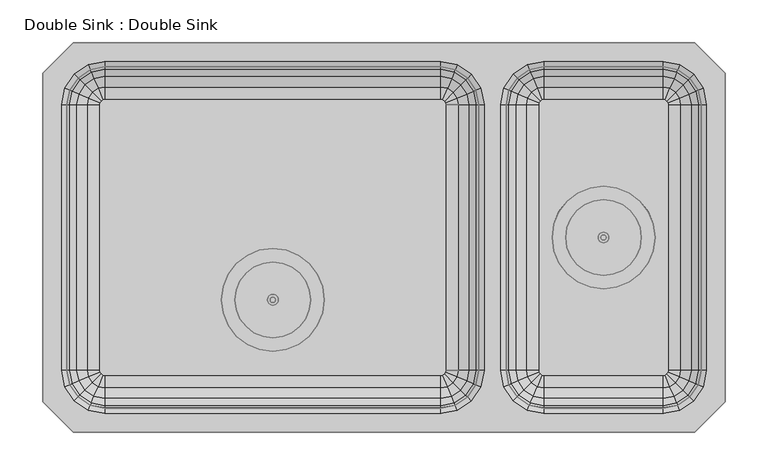
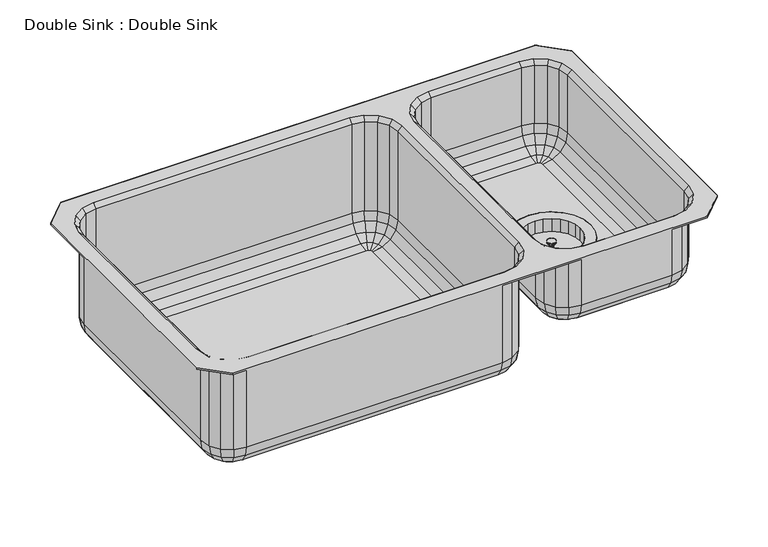
"""IFC4 building model written with IfcOpenShell, lengths in millimetres: flow terminal geometry, Double Sink : Double Sink."""

from ifc_helpers import new_model, si_unit, origin, place, context, project, spatial, triangles, source, transform, mapped, element, save


def double_sink_double_sink_0b4e4ec1(model_context):
    return source(origin(), model_context, "Body", "Tessellation", [
        triangles([(660.5270514, 228.5999818, 63.4999985), (660.5270514, 228.5999818, 50.8000015), (660.4188457, 227.7782297, 50.8000015), (660.4188457, 227.7782297, 63.4999985), (701.8020029, 228.5999818, 50.8000015), (701.8020029, 228.5999818, 71.4375), (700.2874151, 217.0954697, 71.4375), (700.2874151, 217.0954697, 50.8000015), (660.1016413, 227.0124697, 50.8000015), (660.1016413, 227.0124697, 63.4999985), (695.8468431, 206.3749758, 71.4375), (695.8468431, 206.3749758, 50.8000015), (659.5970936, 226.3549154, 50.8000015), (659.5970936, 226.3549154, 63.4999985), (688.7829575, 197.1690697, 71.4375), (688.7829575, 197.1690697, 50.8000015), (658.9395029, 225.8503495, 50.8000015), (658.9395029, 225.8503495, 63.4999985), (679.5770514, 190.1051476, 71.4375), (679.5770514, 190.1051476, 50.8000015), (658.1737793, 225.5331632, 50.8000015), (658.1737793, 225.5331632, 63.4999985), (668.8565575, 185.6645757, 71.4375), (668.8565575, 185.6645757, 50.8000015), (657.3520271, 225.4249758, 50.8000015), (657.3520271, 225.4249758, 63.4999985), (657.3520271, 184.1499697, 71.4375), (657.3520271, 184.1499697, 50.8000015), (656.530275, 225.5331632, 50.8000015), (656.530275, 225.5331632, 63.4999985), (645.8474968, 185.6645757, 71.4375), (645.8474968, 185.6645757, 50.8000015), (655.7645514, 225.8503495, 50.8000015), (655.7645514, 225.8503495, 63.4999985), (635.1270029, 190.1051476, 71.4375), (635.1270029, 190.1051476, 50.8000015), (655.1069607, 226.3549154, 50.8000015), (655.1069607, 226.3549154, 63.4999985), (625.9210968, 197.1690697, 71.4375), (625.9210968, 197.1690697, 50.8000015), (654.602413, 227.0124697, 50.8000015), (654.602413, 227.0124697, 63.4999985), (618.8572111, 206.3749758, 71.4375), (618.8572111, 206.3749758, 50.8000015), (654.2852085, 227.7782297, 50.8000015), (654.2852085, 227.7782297, 63.4999985), (614.4166391, 217.0954697, 71.4375), (614.4166391, 217.0954697, 50.8000015), (654.1770029, 228.5999818, 50.8000015), (654.1770029, 228.5999818, 63.4999985), (612.9020514, 228.5999818, 71.4375), (612.9020514, 228.5999818, 50.8000015), (654.2852085, 229.421734, 50.8000015), (654.2852085, 229.421734, 63.4999985), (614.4166391, 240.1044758, 71.4375), (614.4166391, 240.1044758, 50.8000015), (654.602413, 230.1874758, 50.8000015), (654.602413, 230.1874758, 63.4999985), (618.8572111, 250.8249697, 71.4375), (618.8572111, 250.8249697, 50.8000015), (655.1069607, 230.8450301, 50.8000015), (655.1069607, 230.8450301, 63.4999985), (625.9210968, 260.0308758, 71.4375), (625.9210968, 260.0308758, 50.8000015), (655.7645514, 231.3496141, 50.8000015), (655.7645514, 231.3496141, 63.4999985), (635.1270029, 267.0947978, 71.4375), (635.1270029, 267.0947978, 50.8000015), (656.530275, 231.6667823, 50.8000015), (656.530275, 231.6667823, 63.4999985), (645.8474968, 271.5353698, 71.4375), (645.8474968, 271.5353698, 50.8000015), (657.3520271, 231.7749697, 50.8000015), (657.3520271, 231.7749697, 63.4999985), (657.3520271, 273.0499758, 71.4375), (657.3520271, 273.0499758, 50.8000015), (658.1737793, 231.6667823, 50.8000015), (658.1737793, 231.6667823, 63.4999985), (668.8565575, 271.5353698, 71.4375), (668.8565575, 271.5353698, 50.8000015), (658.9395029, 231.3496141, 50.8000015), (658.9395029, 231.3496141, 63.4999985), (679.5770514, 267.0947978, 71.4375), (679.5770514, 267.0947978, 50.8000015), (659.5970936, 230.8450301, 50.8000015), (659.5970936, 230.8450301, 63.4999985), (688.7829575, 260.0308758, 71.4375), (688.7829575, 260.0308758, 50.8000015), (660.1016413, 230.1874758, 50.8000015), (660.1016413, 230.1874758, 63.4999985), (695.8468431, 250.8249697, 71.4375), (695.8468431, 250.8249697, 50.8000015), (660.4188457, 229.421734, 50.8000015), (660.4188457, 229.421734, 63.4999985), (700.2874151, 240.1044758, 71.4375), (700.2874151, 240.1044758, 50.8000015), (599.082546, 244.2132367, 71.4375), (605.1090314, 258.7624758, 71.4375), (599.082546, 244.2132367, 69.8500015), (605.1090314, 258.7624758, 69.8500015), (614.6958372, 271.2561899, 71.4375), (700.008217, 271.2561899, 71.4375), (709.5949865, 258.7624758, 71.4375), (715.6215082, 244.2132367, 71.4375), (709.5949865, 258.7624758, 69.8500015), (715.6215082, 244.2132367, 69.8500015), (672.9653183, 286.8694448, 71.4375), (687.5145029, 280.8429594, 71.4375), (672.9653183, 286.8694448, 69.8500015), (687.5145029, 280.8429594, 69.8500015), (614.6958372, 271.2561899, 69.8500015), (627.1895514, 280.8429594, 69.8500015), (627.1895514, 280.8429594, 71.4375), (641.738736, 286.8694448, 69.8500015), (641.738736, 286.8694448, 71.4375), (657.3520271, 288.9249697, 69.8500015), (657.3520271, 288.9249697, 71.4375), (700.008217, 271.2561899, 69.8500015), (687.5145029, 176.3569861, 71.4375), (672.9653183, 170.3305007, 71.4375), (687.5145029, 176.3569861, 69.8500015), (672.9653183, 170.3305007, 69.8500015), (641.738736, 170.3305007, 71.4375), (627.1895514, 176.3569861, 71.4375), (614.6958372, 185.9437556, 71.4375), (627.1895514, 176.3569861, 69.8500015), (614.6958372, 185.9437556, 69.8500015), (663.7020029, 228.5999818, 66.675), (663.7020029, 228.5999818, 63.4999985), (663.4856644, 226.9564775, 63.4999985), (663.4856644, 226.9564775, 66.675), (662.8512554, 225.4249758, 63.4999985), (662.8512554, 225.4249758, 66.675), (661.84216, 224.1098489, 63.4999985), (661.84216, 224.1098489, 66.675), (660.5270514, 223.1007172, 63.4999985), (660.5270514, 223.1007172, 66.675), (658.9955315, 222.4663446, 63.4999985), (658.9955315, 222.4663446, 66.675), (657.3520271, 222.2499697, 63.4999985), (657.3520271, 222.2499697, 66.675), (655.7085228, 222.4663446, 63.4999985), (655.7085228, 222.4663446, 66.675), (654.1770029, 223.1007172, 63.4999985), (654.1770029, 223.1007172, 66.675), (652.8618942, 224.1098489, 63.4999985), (652.8618942, 224.1098489, 66.675), (651.8527988, 225.4249758, 63.4999985), (651.8527988, 225.4249758, 66.675), (651.2183899, 226.9564775, 63.4999985), (651.2183899, 226.9564775, 66.675), (651.0020514, 228.5999818, 63.4999985), (651.0020514, 228.5999818, 66.675), (651.2183899, 230.243468, 63.4999985), (651.2183899, 230.243468, 66.675), (651.8527988, 231.7749697, 63.4999985), (651.8527988, 231.7749697, 66.675), (652.8618942, 233.0900966, 63.4999985), (652.8618942, 233.0900966, 66.675), (654.1770029, 234.0992283, 63.4999985), (654.1770029, 234.0992283, 66.675), (655.7085228, 234.7336009, 63.4999985), (655.7085228, 234.7336009, 66.675), (657.3520271, 234.9499758, 63.4999985), (657.3520271, 234.9499758, 66.675), (658.9955315, 234.7336009, 63.4999985), (658.9955315, 234.7336009, 66.675), (660.5270514, 234.0992283, 63.4999985), (660.5270514, 234.0992283, 66.675), (661.84216, 233.0900966, 63.4999985), (661.84216, 233.0900966, 66.675), (662.8512554, 231.7749697, 63.4999985), (662.8512554, 231.7749697, 66.675), (663.4856644, 230.243468, 63.4999985), (663.4856644, 230.243468, 66.675), (657.3520271, 228.5999818, 66.675), (605.1090314, 198.4374697, 71.4375), (605.1090314, 198.4374697, 69.8500015), (599.082546, 212.9867088, 71.4375), (597.0270392, 228.5999818, 71.4375), (599.082546, 212.9867088, 69.8500015), (597.0270392, 228.5999818, 69.8500015), (657.3520271, 168.2749758, 69.8500015), (657.3520271, 168.2749758, 71.4375), (641.738736, 170.3305007, 69.8500015), (700.008217, 185.9437556, 71.4375), (700.008217, 185.9437556, 69.8500015), (717.6770514, 228.5999818, 71.4375), (715.6215082, 212.9867088, 71.4375), (717.6770514, 228.5999818, 69.8500015), (715.6215082, 212.9867088, 69.8500015), (709.5949865, 198.4374697, 69.8500015), (709.5949865, 198.4374697, 71.4375), (272.9230031, 155.4479789, 12.7000004), (272.9230031, 155.4479789, 0.0), (272.8148157, 154.6262268, 0.0), (272.8148157, 154.6262268, 12.7000004), (314.1980092, 155.4479789, 0.0), (314.1980092, 155.4479789, 20.6375008), (312.6833851, 143.9434668, 20.6375008), (312.6833851, 143.9434668, 0.0), (272.4976294, 153.8604668, 0.0), (272.4976294, 153.8604668, 12.7000004), (308.2428131, 133.2229729, 20.6375008), (308.2428131, 133.2229729, 0.0), (271.9930635, 153.2029125, 0.0), (271.9930635, 153.2029125, 12.7000004), (301.1788911, 124.0170758, 20.6375008), (301.1788911, 124.0170758, 0.0), (271.335491, 152.6983466, 0.0), (271.335491, 152.6983466, 12.7000004), (291.9730031, 116.9531447, 20.6375008), (291.9730031, 116.9531447, 0.0), (270.5697493, 152.3811603, 0.0), (270.5697493, 152.3811603, 12.7000004), (281.2525093, 112.5125728, 20.6375008), (281.2525093, 112.5125728, 0.0), (269.7479971, 152.2729729, 0.0), (269.7479971, 152.2729729, 12.7000004), (269.7479971, 110.9979759, 20.6375008), (269.7479971, 110.9979759, 0.0), (268.9262449, 152.3811603, 0.0), (268.9262449, 152.3811603, 12.7000004), (258.2434849, 112.5125728, 20.6375008), (258.2434849, 112.5125728, 0.0), (268.1605031, 152.6983466, 0.0), (268.1605031, 152.6983466, 12.7000004), (247.522991, 116.9531447, 20.6375008), (247.522991, 116.9531447, 0.0), (267.5029306, 153.2029125, 0.0), (267.5029306, 153.2029125, 12.7000004), (238.3171031, 124.0170758, 20.6375008), (238.3171031, 124.0170758, 0.0), (266.9983648, 153.8604668, 0.0), (266.9983648, 153.8604668, 12.7000004), (231.2531629, 133.2229729, 20.6375008), (231.2531629, 133.2229729, 0.0), (266.6811785, 154.6262268, 0.0), (266.6811785, 154.6262268, 12.7000004), (226.8125909, 143.9434668, 20.6375008), (226.8125909, 143.9434668, 0.0), (266.572991, 155.4479789, 0.0), (266.572991, 155.4479789, 12.7000004), (225.2980031, 155.4479789, 20.6375008), (225.2980031, 155.4479789, 0.0), (266.6811785, 156.2697311, 0.0), (266.6811785, 156.2697311, 12.7000004), (226.8125909, 166.9524729, 20.6375008), (226.8125909, 166.9524729, 0.0), (266.9983648, 157.0354729, 0.0), (266.9983648, 157.0354729, 12.7000004), (231.2531629, 177.6729668, 20.6375008), (231.2531629, 177.6729668, 0.0), (267.5029306, 157.6930454, 0.0), (267.5029306, 157.6930454, 12.7000004), (238.3171031, 186.8788729, 20.6375008), (238.3171031, 186.8788729, 0.0), (268.1605031, 158.1976112, 0.0), (268.1605031, 158.1976112, 12.7000004), (247.522991, 193.9427949, 20.6375008), (247.522991, 193.9427949, 0.0), (268.9262449, 158.5147975, 0.0), (268.9262449, 158.5147975, 12.7000004), (258.2434849, 198.3833851, 20.6375008), (258.2434849, 198.3833851, 0.0), (269.7479971, 158.6229668, 0.0), (269.7479971, 158.6229668, 12.7000004), (269.7479971, 199.8979729, 20.6375008), (269.7479971, 199.8979729, 0.0), (270.5697493, 158.5147975, 0.0), (270.5697493, 158.5147975, 12.7000004), (281.2525093, 198.3833851, 20.6375008), (281.2525093, 198.3833851, 0.0), (271.335491, 158.1976112, 0.0), (271.335491, 158.1976112, 12.7000004), (291.9730031, 193.9427949, 20.6375008), (291.9730031, 193.9427949, 0.0), (271.9930635, 157.6930454, 0.0), (271.9930635, 157.6930454, 12.7000004), (301.1788911, 186.8788729, 20.6375008), (301.1788911, 186.8788729, 0.0), (272.4976294, 157.0354729, 0.0), (272.4976294, 157.0354729, 12.7000004), (308.2428131, 177.6729668, 20.6375008), (308.2428131, 177.6729668, 0.0), (272.8148157, 156.2697311, 0.0), (272.8148157, 156.2697311, 12.7000004), (312.6833851, 166.9524729, 20.6375008), (312.6833851, 166.9524729, 0.0), (211.478516, 171.0612338, 20.6375008), (217.5050195, 185.6104729, 20.6375008), (211.478516, 171.0612338, 19.05), (217.5050195, 185.6104729, 19.05), (227.091789, 198.104187, 20.6375008), (312.4042233, 198.104187, 20.6375008), (321.9909928, 185.6104729, 20.6375008), (328.0174782, 171.0612338, 20.6375008), (321.9909928, 185.6104729, 19.05), (328.0174782, 171.0612338, 19.05), (285.3612519, 213.7174418, 20.6375008), (299.910491, 207.6909565, 20.6375008), (285.3612519, 213.7174418, 19.05), (299.910491, 207.6909565, 19.05), (227.091789, 198.104187, 19.05), (239.5855031, 207.6909565, 19.05), (239.5855031, 207.6909565, 20.6375008), (254.1347423, 213.7174418, 19.05), (254.1347423, 213.7174418, 20.6375008), (269.7479971, 215.7729668, 19.05), (269.7479971, 215.7729668, 20.6375008), (312.4042233, 198.104187, 19.05), (299.910491, 103.2049923, 20.6375008), (285.3612519, 97.1784978, 20.6375008), (299.910491, 103.2049923, 19.05), (285.3612519, 97.1784978, 19.05), (254.1347423, 97.1784978, 20.6375008), (239.5855031, 103.2049923, 20.6375008), (227.091789, 112.7917618, 20.6375008), (239.5855031, 103.2049923, 19.05), (227.091789, 112.7917618, 19.05), (276.097991, 155.4479789, 15.8749996), (276.097991, 155.4479789, 12.7000004), (275.8816343, 153.8044746, 12.7000004), (275.8816343, 153.8044746, 15.8749996), (275.2472617, 152.2729729, 12.7000004), (275.2472617, 152.2729729, 15.8749996), (274.23813, 150.957846, 12.7000004), (274.23813, 150.957846, 15.8749996), (272.9230031, 149.9487143, 12.7000004), (272.9230031, 149.9487143, 15.8749996), (271.3915014, 149.3143417, 12.7000004), (271.3915014, 149.3143417, 15.8749996), (269.7479971, 149.0979759, 12.7000004), (269.7479971, 149.0979759, 15.8749996), (268.1044928, 149.3143417, 12.7000004), (268.1044928, 149.3143417, 15.8749996), (266.572991, 149.9487143, 12.7000004), (266.572991, 149.9487143, 15.8749996), (265.2578642, 150.957846, 12.7000004), (265.2578642, 150.957846, 15.8749996), (264.2487325, 152.2729729, 12.7000004), (264.2487325, 152.2729729, 15.8749996), (263.614378, 153.8044746, 12.7000004), (263.614378, 153.8044746, 15.8749996), (263.3980031, 155.4479789, 12.7000004), (263.3980031, 155.4479789, 15.8749996), (263.614378, 157.0914833, 12.7000004), (263.614378, 157.0914833, 15.8749996), (264.2487325, 158.6229668, 12.7000004), (264.2487325, 158.6229668, 15.8749996), (265.2578642, 159.9380937, 12.7000004), (265.2578642, 159.9380937, 15.8749996), (266.572991, 160.9472435, 12.7000004), (266.572991, 160.9472435, 15.8749996), (268.1044928, 161.581598, 12.7000004), (268.1044928, 161.581598, 15.8749996), (269.7479971, 161.7979729, 12.7000004), (269.7479971, 161.7979729, 15.8749996), (271.3915014, 161.581598, 12.7000004), (271.3915014, 161.581598, 15.8749996), (272.9230031, 160.9472435, 12.7000004), (272.9230031, 160.9472435, 15.8749996), (274.23813, 159.9380937, 12.7000004), (274.23813, 159.9380937, 15.8749996), (275.2472617, 158.6229668, 12.7000004), (275.2472617, 158.6229668, 15.8749996), (275.8816343, 157.0914833, 12.7000004), (275.8816343, 157.0914833, 15.8749996), (269.7479971, 155.4479789, 15.8749996), (217.5050195, 125.2854759, 20.6375008), (217.5050195, 125.2854759, 19.05), (211.478516, 139.834715, 20.6375008), (209.422991, 155.4479789, 20.6375008), (211.478516, 139.834715, 19.05), (209.422991, 155.4479789, 19.05), (269.7479971, 95.1229729, 19.05), (269.7479971, 95.1229729, 20.6375008), (254.1347423, 97.1784978, 19.05), (312.4042233, 112.7917618, 20.6375008), (312.4042233, 112.7917618, 19.05), (330.072985, 155.4479789, 20.6375008), (328.0174782, 139.834715, 20.6375008), (330.072985, 155.4479789, 19.05), (328.0174782, 139.834715, 19.05), (321.9909928, 125.2854759, 19.05), (321.9909928, 125.2854759, 20.6375008)], [[2, 1, 3], [3, 1, 4], [6, 8, 7], [6, 5, 8], [3, 4, 9], [9, 4, 10], [7, 12, 11], [7, 8, 12], [9, 10, 13], [13, 10, 14], [11, 16, 15], [11, 12, 16], [13, 14, 17], [17, 14, 18], [15, 20, 19], [15, 16, 20], [17, 18, 21], [21, 18, 22], [19, 24, 23], [19, 20, 24], [21, 22, 25], [25, 22, 26], [23, 28, 27], [23, 24, 28], [25, 26, 29], [29, 26, 30], [27, 32, 31], [27, 28, 32], [29, 30, 33], [33, 30, 34], [31, 36, 35], [31, 32, 36], [33, 34, 37], [37, 34, 38], [35, 40, 39], [35, 36, 40], [37, 38, 41], [41, 38, 42], [39, 44, 43], [39, 40, 44], [41, 42, 45], [45, 42, 46], [43, 48, 47], [43, 44, 48], [45, 50, 49], [45, 46, 50], [47, 52, 51], [47, 48, 52], [49, 54, 53], [49, 50, 54], [51, 56, 55], [51, 52, 56], [53, 58, 57], [53, 54, 58], [55, 60, 59], [55, 56, 60], [57, 62, 61], [57, 58, 62], [59, 64, 63], [59, 60, 64], [61, 66, 65], [61, 62, 66], [63, 68, 67], [63, 64, 68], [65, 70, 69], [65, 66, 70], [67, 72, 71], [67, 68, 72], [69, 74, 73], [69, 70, 74], [71, 76, 75], [71, 72, 76], [73, 78, 77], [73, 74, 78], [75, 80, 79], [75, 76, 80], [77, 82, 81], [77, 78, 82], [79, 84, 83], [79, 80, 84], [81, 86, 85], [81, 82, 86], [83, 88, 87], [83, 84, 88], [85, 90, 89], [85, 86, 90], [87, 92, 91], [87, 88, 92], [89, 94, 93], [89, 90, 94], [91, 92, 95], [95, 92, 96], [93, 94, 2], [2, 94, 1], [95, 5, 6], [95, 96, 5], [60, 61, 64], [60, 57, 61], [64, 65, 68], [64, 61, 65], [68, 69, 72], [68, 65, 69], [72, 73, 76], [72, 69, 73], [76, 77, 80], [76, 73, 77], [80, 81, 84], [80, 77, 81], [84, 85, 88], [84, 81, 85], [88, 89, 92], [88, 85, 89], [5, 3, 8], [5, 2, 3], [8, 9, 12], [8, 3, 9], [12, 13, 16], [12, 9, 13], [16, 17, 20], [16, 13, 17], [20, 21, 24], [20, 17, 21], [92, 93, 96], [92, 89, 93], [96, 2, 5], [96, 93, 2], [24, 21, 28], [28, 21, 25], [28, 25, 32], [32, 25, 29], [32, 29, 36], [36, 29, 33], [36, 33, 40], [40, 33, 37], [40, 37, 44], [44, 37, 41], [44, 45, 48], [44, 41, 45], [48, 49, 52], [48, 45, 49], [52, 53, 56], [52, 49, 53], [56, 57, 60], [56, 53, 57], [97, 59, 98], [97, 55, 59], [99, 98, 100], [99, 97, 98], [98, 63, 101], [98, 59, 63], [102, 87, 103], [103, 87, 91], [103, 95, 104], [103, 91, 95], [105, 104, 106], [105, 103, 104], [107, 83, 108], [107, 79, 83], [109, 108, 110], [109, 107, 108], [100, 101, 111], [100, 98, 101], [111, 113, 112], [111, 101, 113], [112, 115, 114], [112, 113, 115], [114, 117, 116], [114, 115, 117], [116, 107, 109], [116, 117, 107], [113, 71, 115], [113, 67, 71], [115, 75, 117], [115, 71, 75], [101, 67, 113], [101, 63, 67], [117, 79, 107], [117, 75, 79], [110, 102, 118], [110, 108, 102], [118, 103, 105], [118, 102, 103], [108, 83, 102], [102, 83, 87], [119, 23, 120], [119, 19, 23], [121, 119, 122], [122, 119, 120], [123, 31, 124], [124, 31, 35], [124, 39, 125], [124, 35, 39], [126, 125, 127], [126, 124, 125], [129, 128, 130], [130, 128, 131], [130, 131, 132], [132, 131, 133], [132, 133, 134], [134, 133, 135], [134, 135, 136], [136, 135, 137], [136, 137, 138], [138, 137, 139], [138, 139, 140], [140, 139, 141], [140, 141, 142], [142, 141, 143], [142, 143, 144], [144, 143, 145], [144, 145, 146], [146, 145, 147], [146, 147, 148], [148, 147, 149], [148, 149, 150], [150, 149, 151], [150, 153, 152], [150, 151, 153], [152, 155, 154], [152, 153, 155], [154, 157, 156], [154, 155, 157], [156, 159, 158], [156, 157, 159], [158, 161, 160], [158, 159, 161], [160, 163, 162], [160, 161, 163], [162, 165, 164], [162, 163, 165], [164, 167, 166], [164, 165, 167], [166, 169, 168], [166, 167, 169], [168, 171, 170], [168, 169, 171], [170, 173, 172], [170, 171, 173], [172, 175, 174], [172, 173, 175], [174, 175, 129], [129, 175, 128], [4, 130, 10], [10, 130, 132], [10, 132, 14], [14, 132, 134], [14, 134, 18], [18, 134, 136], [18, 136, 22], [22, 136, 138], [78, 168, 82], [78, 166, 168], [82, 170, 86], [82, 168, 170], [86, 172, 90], [86, 170, 172], [90, 174, 94], [90, 172, 174], [54, 156, 58], [54, 154, 156], [58, 158, 62], [58, 156, 158], [70, 164, 74], [70, 162, 164], [74, 166, 78], [74, 164, 166], [66, 162, 70], [66, 160, 162], [62, 160, 66], [62, 158, 160], [38, 148, 42], [38, 146, 148], [42, 148, 46], [46, 148, 150], [46, 150, 50], [50, 150, 152], [50, 154, 54], [50, 152, 154], [34, 146, 38], [34, 144, 146], [26, 142, 30], [26, 140, 142], [30, 144, 34], [30, 142, 144], [22, 140, 26], [22, 138, 140], [1, 129, 4], [4, 129, 130], [94, 129, 1], [94, 174, 129], [176, 131, 128], [176, 133, 131], [176, 135, 133], [176, 137, 135], [176, 139, 137], [176, 169, 167], [176, 171, 169], [176, 173, 171], [176, 175, 173], [176, 128, 175], [176, 157, 155], [176, 159, 157], [176, 161, 159], [176, 163, 161], [176, 165, 163], [176, 167, 165], [176, 149, 147], [176, 151, 149], [176, 153, 151], [176, 155, 153], [176, 141, 139], [176, 143, 141], [176, 145, 143], [176, 147, 145], [125, 43, 177], [125, 39, 43], [127, 177, 178], [127, 125, 177], [177, 47, 179], [177, 43, 47], [179, 51, 180], [179, 47, 51], [180, 55, 97], [180, 51, 55], [181, 180, 182], [181, 179, 180], [182, 97, 99], [182, 180, 97], [178, 179, 181], [178, 177, 179], [122, 120, 183], [183, 120, 184], [183, 123, 185], [183, 184, 123], [185, 124, 126], [185, 123, 124], [184, 27, 123], [123, 27, 31], [120, 23, 184], [184, 23, 27], [186, 19, 119], [186, 15, 19], [187, 119, 121], [187, 186, 119], [188, 7, 189], [188, 6, 7], [190, 189, 191], [190, 188, 189], [106, 188, 190], [106, 104, 188], [104, 6, 188], [104, 95, 6], [191, 193, 192], [191, 189, 193], [192, 186, 187], [192, 193, 186], [189, 11, 193], [189, 7, 11], [193, 15, 186], [193, 11, 15], [195, 197, 196], [195, 194, 197], [199, 201, 200], [199, 198, 201], [196, 203, 202], [196, 197, 203], [200, 205, 204], [200, 201, 205], [202, 207, 206], [202, 203, 207], [204, 209, 208], [204, 205, 209], [206, 211, 210], [206, 207, 211], [208, 213, 212], [208, 209, 213], [210, 215, 214], [210, 211, 215], [212, 217, 216], [212, 213, 217], [214, 219, 218], [214, 215, 219], [216, 221, 220], [216, 217, 221], [218, 223, 222], [218, 219, 223], [220, 225, 224], [220, 221, 225], [222, 227, 226], [222, 223, 227], [224, 229, 228], [224, 225, 229], [226, 231, 230], [226, 227, 231], [228, 233, 232], [228, 229, 233], [230, 235, 234], [230, 231, 235], [232, 237, 236], [232, 233, 237], [234, 239, 238], [234, 235, 239], [236, 241, 240], [236, 237, 241], [238, 243, 242], [238, 239, 243], [240, 245, 244], [240, 241, 245], [242, 247, 246], [242, 243, 247], [244, 249, 248], [244, 245, 249], [246, 251, 250], [246, 247, 251], [248, 253, 252], [248, 249, 253], [250, 255, 254], [250, 251, 255], [252, 257, 256], [252, 253, 257], [254, 259, 258], [254, 255, 259], [256, 261, 260], [256, 257, 261], [258, 263, 262], [258, 259, 263], [260, 265, 264], [260, 261, 265], [262, 267, 266], [262, 263, 267], [264, 269, 268], [264, 265, 269], [266, 271, 270], [266, 267, 271], [268, 273, 272], [268, 269, 273], [270, 275, 274], [270, 271, 275], [272, 277, 276], [272, 273, 277], [274, 279, 278], [274, 275, 279], [276, 281, 280], [276, 277, 281], [278, 283, 282], [278, 279, 283], [280, 285, 284], [280, 281, 285], [282, 287, 286], [282, 283, 287], [284, 289, 288], [284, 285, 289], [286, 194, 195], [286, 287, 194], [288, 198, 199], [288, 289, 198], [253, 254, 257], [253, 250, 254], [257, 258, 261], [257, 254, 258], [261, 262, 265], [261, 258, 262], [265, 266, 269], [265, 262, 266], [269, 270, 273], [269, 266, 270], [273, 274, 277], [273, 270, 274], [277, 278, 281], [277, 274, 278], [281, 282, 285], [281, 278, 282], [198, 196, 201], [198, 195, 196], [201, 202, 205], [201, 196, 202], [205, 206, 209], [205, 202, 206], [209, 210, 213], [209, 206, 210], [213, 214, 217], [213, 210, 214], [285, 286, 289], [285, 282, 286], [289, 195, 198], [289, 286, 195], [217, 214, 221], [221, 214, 218], [221, 218, 225], [225, 218, 222], [225, 222, 229], [229, 222, 226], [229, 226, 233], [233, 226, 230], [233, 230, 237], [237, 230, 234], [237, 238, 241], [237, 234, 238], [241, 242, 245], [241, 238, 242], [245, 246, 249], [245, 242, 246], [249, 250, 253], [249, 246, 250], [290, 252, 291], [290, 248, 252], [292, 291, 293], [292, 290, 291], [291, 256, 294], [291, 252, 256], [295, 284, 296], [295, 280, 284], [296, 288, 297], [296, 284, 288], [298, 297, 299], [298, 296, 297], [300, 272, 301], [301, 272, 276], [302, 301, 303], [302, 300, 301], [293, 294, 304], [293, 291, 294], [304, 306, 305], [304, 294, 306], [305, 308, 307], [305, 306, 308], [307, 310, 309], [307, 308, 310], [309, 300, 302], [309, 310, 300], [306, 264, 308], [306, 260, 264], [308, 268, 310], [308, 264, 268], [294, 260, 306], [294, 256, 260], [310, 272, 300], [310, 268, 272], [303, 295, 311], [303, 301, 295], [311, 296, 298], [311, 295, 296], [301, 276, 295], [295, 276, 280], [312, 216, 313], [312, 212, 216], [314, 312, 315], [315, 312, 313], [316, 224, 317], [317, 224, 228], [317, 232, 318], [317, 228, 232], [319, 318, 320], [319, 317, 318], [322, 321, 323], [323, 321, 324], [323, 324, 325], [325, 324, 326], [325, 326, 327], [327, 326, 328], [327, 328, 329], [329, 328, 330], [329, 330, 331], [331, 330, 332], [331, 332, 333], [333, 332, 334], [333, 334, 335], [335, 334, 336], [335, 336, 337], [337, 336, 338], [337, 338, 339], [339, 338, 340], [339, 340, 341], [341, 340, 342], [341, 344, 343], [341, 342, 344], [343, 346, 345], [343, 344, 346], [345, 348, 347], [345, 346, 348], [347, 350, 349], [347, 348, 350], [349, 352, 351], [349, 350, 352], [351, 354, 353], [351, 352, 354], [353, 356, 355], [353, 354, 356], [355, 358, 357], [355, 356, 358], [357, 360, 359], [357, 358, 360], [359, 362, 361], [359, 360, 362], [361, 364, 363], [361, 362, 364], [363, 366, 365], [363, 364, 366], [365, 366, 367], [367, 366, 368], [367, 368, 322], [322, 368, 321], [197, 323, 203], [203, 323, 325], [203, 325, 207], [207, 325, 327], [207, 327, 211], [211, 327, 329], [211, 331, 215], [211, 329, 331], [271, 361, 275], [271, 359, 361], [275, 363, 279], [275, 361, 363], [279, 365, 283], [279, 363, 365], [283, 367, 287], [283, 365, 367], [247, 349, 251], [247, 347, 349], [251, 351, 255], [251, 349, 351], [263, 357, 267], [263, 355, 357], [267, 359, 271], [267, 357, 359], [259, 355, 263], [259, 353, 355], [255, 353, 259], [255, 351, 353], [231, 341, 235], [231, 339, 341], [235, 341, 239], [239, 341, 343], [239, 345, 243], [239, 343, 345], [243, 347, 247], [243, 345, 347], [227, 339, 231], [227, 337, 339], [219, 335, 223], [219, 333, 335], [223, 337, 227], [223, 335, 337], [215, 333, 219], [215, 331, 333], [194, 322, 197], [197, 322, 323], [287, 367, 194], [194, 367, 322], [369, 324, 321], [369, 326, 324], [369, 328, 326], [369, 330, 328], [369, 332, 330], [369, 362, 360], [369, 364, 362], [369, 366, 364], [369, 368, 366], [369, 321, 368], [369, 350, 348], [369, 352, 350], [369, 354, 352], [369, 356, 354], [369, 358, 356], [369, 360, 358], [369, 342, 340], [369, 344, 342], [369, 346, 344], [369, 348, 346], [369, 334, 332], [369, 336, 334], [369, 338, 336], [369, 340, 338], [318, 236, 370], [318, 232, 236], [320, 370, 371], [320, 318, 370], [370, 240, 372], [370, 236, 240], [372, 244, 373], [372, 240, 244], [373, 248, 290], [373, 244, 248], [374, 373, 375], [374, 372, 373], [375, 290, 292], [375, 373, 290], [371, 372, 374], [371, 370, 372], [315, 313, 376], [376, 313, 377], [376, 377, 378], [378, 377, 316], [378, 316, 319], [319, 316, 317], [377, 220, 316], [316, 220, 224], [313, 216, 377], [377, 216, 220], [379, 212, 312], [379, 208, 212], [380, 379, 314], [314, 379, 312], [381, 200, 382], [381, 199, 200], [383, 381, 384], [384, 381, 382], [299, 381, 383], [299, 297, 381], [297, 199, 381], [297, 288, 199], [384, 382, 385], [385, 382, 386], [385, 386, 380], [380, 386, 379], [382, 204, 386], [382, 200, 204], [386, 208, 379], [386, 204, 208]], closed=False),
        triangles([(72.8980259, 428.7519908, 57.15), (72.8980259, 425.8518044, 42.5697671), (56.9975747, 422.6889888, 42.5697671), (55.8877224, 425.3684037, 57.15), (546.4355779, 401.3122413, 107.949997), (549.1149928, 400.202389, 93.3697641), (545.9521771, 384.3019787, 93.3697641), (543.0520271, 384.3019787, 107.949997), (28.4480251, 72.8979759, 57.15), (31.3481978, 72.8979759, 42.5697671), (34.5109544, 56.9975248, 42.5697671), (31.8315599, 55.8877224, 57.15), (543.0520271, 72.8979759, 107.949997), (545.9521771, 72.8979759, 93.3697641), (549.1149928, 56.9975248, 93.3697641), (546.4355779, 55.8877224, 107.949997), (768.2684401, 55.8877224, 107.949997), (765.5890251, 56.9975248, 93.3697641), (768.7517681, 72.8979759, 93.3697641), (771.6520271, 72.8979759, 107.949997), (727.2020514, 28.4479751, 107.949997), (727.2020514, 31.3481728, 93.3697641), (743.102389, 34.5109794, 93.3697641), (744.2122776, 31.831535, 107.949997), (507.6644342, 55.8877224, 57.15), (504.9850193, 56.9975248, 42.5697671), (508.1478713, 72.8979759, 42.5697671), (511.0480213, 72.8979759, 57.15), (727.2020514, 428.7519908, 201.6760075), (727.2020514, 435.1019666, 208.0260015), (746.6422892, 431.2350514, 208.0260015), (744.2122776, 425.3684037, 201.6760075), (763.1230419, 420.2230056, 208.0260015), (758.632909, 415.7328727, 201.6760075), (774.1350878, 403.7422892, 208.0260015), (768.2684401, 401.3122413, 201.6760075), (778.0020029, 384.3019787, 208.0260015), (771.6520271, 384.3019787, 201.6760075), (587.5020392, 28.4479751, 201.6760075), (587.5020392, 22.0979744, 208.0260015), (568.0616924, 25.9648963, 208.0260015), (570.491704, 31.831535, 201.6760075), (551.5810123, 36.9769649, 208.0260015), (556.0711089, 41.4670728, 201.6760075), (540.5689301, 53.4576291, 208.0260015), (546.4355779, 55.8877224, 201.6760075), (536.702015, 72.8979759, 208.0260015), (543.0520271, 72.8979759, 201.6760075), (771.6520271, 72.8979759, 201.6760075), (778.0020029, 72.8979759, 208.0260015), (774.1350878, 53.4576291, 208.0260015), (768.2684401, 55.8877224, 201.6760075), (763.1230419, 36.9769649, 208.0260015), (758.632909, 41.4670728, 201.6760075), (746.6422892, 25.9648963, 208.0260015), (744.2122776, 31.831535, 201.6760075), (727.2020514, 22.0979744, 208.0260015), (727.2020514, 28.4479751, 201.6760075), (543.0520271, 384.3019787, 201.6760075), (536.702015, 384.3019787, 208.0260015), (540.5689301, 403.7422892, 208.0260015), (546.4355779, 401.3122413, 201.6760075), (551.5810123, 420.2230056, 208.0260015), (556.0711089, 415.7328727, 201.6760075), (568.0616924, 431.2350514, 208.0260015), (570.491704, 425.3684037, 201.6760075), (587.5020392, 435.1019666, 208.0260015), (587.5020392, 428.7519908, 201.6760075), (486.0382833, 431.2350514, 208.0260015), (483.6082355, 425.3684037, 201.6760075), (466.5980092, 428.7519908, 201.6760075), (466.5980092, 435.1019666, 208.0260015), (502.5190361, 420.2230056, 208.0260015), (498.0289032, 415.7328727, 201.6760075), (513.5311183, 403.7422892, 208.0260015), (507.6644342, 401.3122413, 201.6760075), (517.3980334, 384.3019787, 208.0260015), (511.0480213, 384.3019787, 201.6760075), (53.4577018, 25.9648963, 208.0260015), (55.8877224, 31.831535, 201.6760075), (72.8980259, 28.4479751, 201.6760075), (72.8980259, 22.0979744, 208.0260015), (36.9769899, 36.9769649, 208.0260015), (41.4671001, 41.4670728, 201.6760075), (25.9649213, 53.4576291, 208.0260015), (31.8315599, 55.8877224, 201.6760075), (22.0980243, 72.8979759, 208.0260015), (28.4480251, 72.8979759, 201.6760075), (513.5311183, 53.4576291, 208.0260015), (507.6644342, 55.8877224, 201.6760075), (511.0480213, 72.8979759, 201.6760075), (517.3980334, 72.8979759, 208.0260015), (502.5190361, 36.9769649, 208.0260015), (498.0289032, 41.4670728, 201.6760075), (486.0382833, 25.9648963, 208.0260015), (483.6082355, 31.831535, 201.6760075), (466.5980092, 22.0979744, 208.0260015), (466.5980092, 28.4479751, 201.6760075), (25.9649213, 403.7422892, 208.0260015), (31.8315599, 401.3122413, 201.6760075), (28.4480251, 384.3019787, 201.6760075), (22.0980243, 384.3019787, 208.0260015), (36.9769899, 420.2230056, 208.0260015), (41.4671001, 415.7328727, 201.6760075), (53.4577018, 431.2350514, 208.0260015), (55.8877224, 425.3684037, 201.6760075), (72.8980259, 435.1019666, 208.0260015), (72.8980259, 428.7519908, 201.6760075), (558.1218558, 413.6821258, 93.3697641), (556.0711089, 415.7328727, 107.949997), (571.6015926, 422.6889888, 93.3697641), (570.491704, 425.3684037, 107.949997), (556.7453047, 397.0417897, 81.0092359), (554.2111934, 384.3019787, 81.0092359), (563.9619063, 407.8421116, 81.0092359), (574.7621919, 415.0586406, 81.0092359), (587.5020392, 417.5927519, 81.0092359), (587.5020392, 425.8518044, 93.3697641), (568.1649928, 392.3116279, 72.7501969), (566.5717761, 384.3019787, 72.7501969), (572.7021069, 399.1019111, 72.7501969), (579.4923901, 403.6389888, 72.7501969), (587.5020392, 405.2322055, 72.7501969), (583.0119063, 388.7921116, 69.8500015), (581.6353552, 386.7320266, 69.8500015), (585.0719913, 390.1686264, 69.8500015), (587.5020392, 428.7519908, 107.949997), (581.1520271, 384.3019787, 69.8500015), (587.5020392, 390.6519908, 69.8500015), (581.2740037, 385.5408202, 69.8500015), (582.2221653, 387.829852, 69.8500015), (583.9741296, 389.5818163, 69.8500015), (586.2631977, 390.5299779, 69.8500015), (756.5821621, 413.6821258, 93.3697641), (743.102389, 422.6889888, 93.3697641), (744.2122776, 425.3684037, 107.949997), (758.632909, 415.7328727, 107.949997), (765.5890251, 400.202389, 93.3697641), (768.2684401, 401.3122413, 107.949997), (739.9418261, 415.0586406, 81.0092359), (727.2020514, 417.5927519, 81.0092359), (727.2020514, 425.8518044, 93.3697641), (750.7421843, 407.8421116, 81.0092359), (757.9586769, 397.0417897, 81.0092359), (760.4927519, 384.3019787, 81.0092359), (768.7517681, 384.3019787, 93.3697641), (735.2116642, 403.6389888, 72.7501969), (727.2020514, 405.2322055, 72.7501969), (742.0019474, 399.1019111, 72.7501969), (746.5390251, 392.3116279, 72.7501969), (748.1323145, 384.3019787, 72.7501969), (731.6921843, 388.7921116, 69.8500015), (729.6320629, 390.1686264, 69.8500015), (733.0686264, 386.7320266, 69.8500015), (727.2020514, 428.7519908, 107.949997), (771.6520271, 384.3019787, 107.949997), (727.2020514, 390.6519908, 69.8500015), (733.5520271, 384.3019787, 69.8500015), (728.4408566, 390.5299779, 69.8500015), (730.7298883, 389.5818163, 69.8500015), (732.4818163, 387.829852, 69.8500015), (733.4300142, 385.5408202, 69.8500015), (558.1218558, 43.517847, 93.3697641), (571.6015926, 34.5109794, 93.3697641), (570.491704, 31.831535, 107.949997), (556.0711089, 41.4670728, 107.949997), (574.7621919, 42.1413185, 81.0092359), (587.5020392, 39.6072118, 81.0092359), (587.5020392, 31.3481728, 93.3697641), (563.9619063, 49.3578884, 81.0092359), (556.7453047, 60.1581467, 81.0092359), (554.2111934, 72.8979759, 81.0092359), (579.4923901, 53.5609794, 72.7501969), (587.5020392, 51.9677673, 72.7501969), (572.7021069, 58.0981071, 72.7501969), (568.1649928, 64.8883403, 72.7501969), (566.5717761, 72.8979759, 72.7501969), (583.0119063, 68.4078884, 69.8500015), (585.0719913, 67.03131, 69.8500015), (581.6353552, 70.4679325, 69.8500015), (587.5020392, 28.4479751, 107.949997), (587.5020392, 66.5479729, 69.8500015), (581.1520271, 72.8979759, 69.8500015), (586.2631977, 66.6699949, 69.8500015), (583.9741296, 67.6181519, 69.8500015), (582.2221653, 69.3701434, 69.8500015), (581.2740037, 71.6591934, 69.8500015), (756.5821621, 43.517847, 93.3697641), (758.632909, 41.4670728, 107.949997), (757.9586769, 60.1581467, 81.0092359), (760.4927519, 72.8979759, 81.0092359), (750.7421843, 49.3578884, 81.0092359), (739.9418261, 42.1413185, 81.0092359), (727.2020514, 39.6072118, 81.0092359), (746.5390251, 64.8883403, 72.7501969), (748.1323145, 72.8979759, 72.7501969), (742.0019474, 58.0981071, 72.7501969), (735.2116642, 53.5609794, 72.7501969), (727.2020514, 51.9677673, 72.7501969), (731.6921843, 68.4078884, 69.8500015), (733.0686264, 70.4679325, 69.8500015), (729.6320629, 67.03131, 69.8500015), (733.5520271, 72.8979759, 69.8500015), (727.2020514, 66.5479729, 69.8500015), (733.4300142, 71.6591934, 69.8500015), (732.4818163, 69.3701434, 69.8500015), (730.7298883, 67.6181519, 69.8500015), (728.4408566, 66.6699949, 69.8500015), (714.5020271, 228.5999818, 69.8500015), (710.1517113, 250.4703402, 69.8500015), (697.7631506, 269.0111416, 69.8500015), (679.2224218, 281.3996841, 69.8500015), (657.3520271, 285.7499818, 69.8500015), (635.4816324, 281.3996841, 69.8500015), (616.9409037, 269.0111416, 69.8500015), (604.5522703, 250.4703402, 69.8500015), (600.2020271, 228.5999818, 69.8500015), (604.5522703, 206.7296416, 69.8500015), (616.9409037, 188.188822, 69.8500015), (710.1517113, 206.7296416, 69.8500015), (635.4816324, 175.8002614, 69.8500015), (657.3520271, 171.4499818, 69.8500015), (679.2224218, 175.8002614, 69.8500015), (697.7631506, 188.188822, 69.8500015), (43.517847, 413.6821258, 42.5697671), (34.5109544, 400.202389, 42.5697671), (31.8315599, 401.3122413, 57.15), (41.4671001, 415.7328727, 57.15), (42.1413413, 397.0417897, 30.2092366), (39.6072345, 384.3019787, 30.2092366), (31.3481978, 384.3019787, 42.5697671), (49.3578884, 407.8421116, 30.2092366), (60.1581739, 415.0586406, 30.2092366), (72.8980259, 417.5927519, 30.2092366), (53.5609567, 392.3116279, 21.9501977), (51.9677673, 384.3019787, 21.9501977), (58.0980798, 399.1019111, 21.9501977), (64.8883631, 403.6389888, 21.9501977), (72.8980259, 405.2322055, 21.9501977), (68.4078884, 388.7921116, 19.05), (67.03136, 386.7320266, 19.05), (70.4679825, 390.1686264, 19.05), (28.4480251, 384.3019787, 57.15), (66.5480274, 384.3019787, 19.05), (72.8980259, 390.6519908, 19.05), (66.6700221, 385.5408202, 19.05), (67.6181792, 387.829852, 19.05), (69.3701162, 389.5818163, 19.05), (71.6591934, 390.5299779, 19.05), (495.9781563, 413.6821258, 42.5697671), (482.4984558, 422.6889888, 42.5697671), (483.6082355, 425.3684037, 57.15), (498.0289032, 415.7328727, 57.15), (504.9850193, 400.202389, 42.5697671), (507.6644342, 401.3122413, 57.15), (479.3378202, 415.0586406, 30.2092366), (466.5980092, 417.5927519, 30.2092366), (466.5980092, 425.8518044, 42.5697671), (490.1381421, 407.8421116, 30.2092366), (497.3546711, 397.0417897, 30.2092366), (499.8888187, 384.3019787, 30.2092366), (508.1478713, 384.3019787, 42.5697671), (474.6076584, 403.6389888, 21.9501977), (466.5980092, 405.2322055, 21.9501977), (481.3979416, 399.1019111, 21.9501977), (485.9350193, 392.3116279, 21.9501977), (487.5282723, 384.3019787, 21.9501977), (471.0881421, 388.7921116, 19.05), (469.0280571, 390.1686264, 19.05), (472.4646569, 386.7320266, 19.05), (466.5980092, 428.7519908, 57.15), (511.0480213, 384.3019787, 57.15), (466.5980092, 390.6519908, 19.05), (472.9480213, 384.3019787, 19.05), (480.3809252, 384.3019787, 19.7820797), (467.8368507, 390.5299779, 19.05), (470.1259189, 389.5818163, 19.05), (471.8778105, 387.829852, 19.05), (472.8260448, 385.5408202, 19.05), (43.517847, 43.517847, 42.5697671), (56.9975747, 34.5109794, 42.5697671), (55.8877224, 31.831535, 57.15), (41.4671001, 41.4670728, 57.15), (60.1581739, 42.1413185, 30.2092366), (72.8980259, 39.6072118, 30.2092366), (72.8980259, 31.3481728, 42.5697671), (49.3578884, 49.3578884, 30.2092366), (42.1413413, 60.1581467, 30.2092366), (39.6072345, 72.8979759, 30.2092366), (64.8883631, 53.5609794, 21.9501977), (72.8980259, 51.9677673, 21.9501977), (58.0980798, 58.0981071, 21.9501977), (53.5609567, 64.8883403, 21.9501977), (51.9677673, 72.8979759, 21.9501977), (68.4078884, 68.4078884, 19.05), (70.4679825, 67.03131, 19.05), (67.03136, 70.4679325, 19.05), (72.8980259, 28.4479751, 57.15), (72.8980259, 66.5479729, 19.05), (66.5480274, 72.8979759, 19.05), (71.6591934, 66.6699949, 19.05), (69.3701162, 67.6181519, 19.05), (67.6181792, 69.3701434, 19.05), (66.6700221, 71.6591934, 19.05), (495.9781563, 43.517847, 42.5697671), (498.0289032, 41.4670728, 57.15), (482.4984558, 34.5109794, 42.5697671), (483.6082355, 31.831535, 57.15), (497.3546711, 60.1581467, 30.2092366), (499.8888187, 72.8979759, 30.2092366), (490.1381421, 49.3578884, 30.2092366), (479.3378202, 42.1413185, 30.2092366), (466.5980092, 39.6072118, 30.2092366), (466.5980092, 31.3481728, 42.5697671), (485.9350193, 64.8883403, 21.9501977), (487.5282723, 72.8979759, 21.9501977), (481.3979416, 58.0981071, 21.9501977), (474.6076584, 53.5609794, 21.9501977), (466.5980092, 51.9677673, 21.9501977), (471.0881421, 68.4078884, 19.05), (472.4646569, 70.4679325, 19.05), (469.0280571, 67.03131, 19.05), (466.5980092, 28.4479751, 57.15), (472.9480213, 72.8979759, 19.05), (480.3809252, 72.8979759, 19.7820797), (466.5980092, 66.5479729, 19.05), (472.8260448, 71.6591934, 19.05), (471.8778105, 69.3701434, 19.05), (470.1259189, 67.6181519, 19.05), (467.8368507, 66.6699949, 19.05), (322.5477176, 177.3183373, 19.05), (326.8979971, 155.4479789, 19.05), (310.1591569, 195.8591387, 19.05), (291.6183736, 208.2476994, 19.05), (269.7479971, 212.5979789, 19.05), (247.8776569, 208.2476994, 19.05), (229.3368555, 195.8591387, 19.05), (216.9482766, 177.3183373, 19.05), (212.5979971, 155.4479789, 19.05), (216.9482766, 133.5776387, 19.05), (322.5477176, 133.5776387, 19.05), (229.3368555, 115.0368282, 19.05), (247.8776569, 102.6482312, 19.05), (269.7479971, 98.2979789, 19.05), (310.1591569, 115.0368282, 19.05), (291.6183736, 102.6482312, 19.05), (0.0, 421.6399612, 205.4860039), (0.0, 421.6399612, 208.0260015), (0.0, 35.5599752, 208.0260015), (0.0, 35.5599752, 205.4860039), (35.5600002, 0.0, 208.0260015), (35.5600002, 0.0, 205.4860039), (764.5400339, 0.0, 208.0260015), (764.5400339, 0.0, 205.4860039), (800.1000727, 35.5599752, 205.4860039), (800.1000727, 35.5599752, 208.0260015), (800.1000727, 421.6399612, 208.0260015), (800.1000727, 421.6399612, 205.4860039), (764.5400339, 457.1999637, 208.0260015), (764.5400339, 457.1999637, 205.4860039), (35.5600002, 457.1999637, 205.4860039), (35.5600002, 457.1999637, 208.0260015)], [[2, 1, 3], [3, 1, 4], [6, 8, 7], [6, 5, 8], [10, 9, 11], [11, 9, 12], [14, 16, 15], [14, 13, 16], [18, 20, 19], [18, 17, 20], [22, 24, 23], [22, 21, 24], [26, 28, 27], [26, 25, 28], [31, 30, 29], [29, 32, 31], [33, 31, 32], [32, 34, 33], [34, 36, 35], [34, 35, 33], [36, 38, 37], [36, 37, 35], [41, 40, 39], [39, 42, 41], [43, 41, 42], [42, 44, 43], [44, 46, 45], [44, 45, 43], [46, 48, 47], [46, 47, 45], [51, 50, 49], [49, 52, 51], [53, 51, 52], [52, 54, 53], [54, 56, 55], [54, 55, 53], [56, 58, 57], [56, 57, 55], [61, 60, 59], [59, 62, 61], [63, 61, 62], [62, 64, 63], [64, 66, 65], [64, 65, 63], [66, 68, 67], [66, 67, 65], [50, 37, 49], [37, 38, 49], [48, 59, 47], [47, 59, 60], [71, 70, 69], [71, 69, 72], [70, 74, 73], [70, 73, 69], [75, 73, 74], [74, 76, 75], [77, 75, 76], [76, 78, 77], [81, 80, 79], [81, 79, 82], [80, 84, 83], [80, 83, 79], [85, 83, 84], [84, 86, 85], [87, 85, 86], [86, 88, 87], [91, 90, 89], [91, 89, 92], [90, 94, 93], [90, 93, 89], [95, 93, 94], [94, 96, 95], [97, 95, 96], [96, 98, 97], [101, 100, 99], [101, 99, 102], [100, 104, 103], [100, 103, 99], [105, 103, 104], [104, 106, 105], [107, 105, 106], [106, 108, 107], [78, 91, 77], [92, 77, 91], [40, 57, 39], [58, 39, 57], [97, 98, 82], [98, 81, 82], [88, 101, 87], [87, 101, 102], [108, 71, 107], [72, 107, 71], [29, 30, 68], [67, 68, 30], [5, 6, 109], [110, 5, 109], [110, 109, 111], [112, 110, 111], [7, 114, 113], [6, 7, 113], [6, 113, 115], [109, 6, 115], [109, 115, 116], [111, 109, 116], [111, 116, 117], [118, 111, 117], [114, 120, 119], [113, 114, 119], [113, 119, 121], [115, 113, 121], [115, 121, 122], [116, 115, 122], [116, 122, 123], [117, 116, 123], [119, 125, 124], [121, 119, 124], [121, 124, 126], [122, 121, 126], [111, 118, 127], [127, 112, 111], [119, 120, 128], [119, 128, 125], [122, 126, 129], [123, 122, 129], [130, 128, 125], [131, 125, 124], [132, 124, 126], [133, 126, 129], [136, 135, 134], [137, 136, 134], [137, 134, 138], [139, 137, 138], [142, 141, 140], [135, 142, 140], [135, 140, 143], [134, 135, 143], [134, 143, 144], [138, 134, 144], [138, 144, 145], [146, 138, 145], [141, 148, 147], [140, 141, 147], [140, 147, 149], [143, 140, 149], [143, 149, 150], [144, 143, 150], [144, 150, 151], [145, 144, 151], [147, 153, 152], [149, 147, 152], [149, 152, 154], [150, 149, 154], [155, 142, 135], [136, 155, 135], [146, 156, 139], [139, 138, 146], [148, 157, 153], [148, 153, 147], [154, 158, 151], [150, 154, 151], [159, 157, 153], [160, 153, 152], [161, 152, 154], [162, 154, 158], [165, 164, 163], [166, 165, 163], [166, 163, 15], [16, 166, 15], [169, 168, 167], [164, 169, 167], [164, 167, 170], [163, 164, 170], [163, 170, 171], [15, 163, 171], [15, 171, 172], [14, 15, 172], [168, 174, 173], [167, 168, 173], [167, 173, 175], [170, 167, 175], [170, 175, 176], [171, 170, 176], [171, 176, 177], [172, 171, 177], [173, 179, 178], [175, 173, 178], [175, 178, 180], [176, 175, 180], [169, 164, 165], [181, 169, 165], [179, 173, 174], [174, 182, 179], [180, 183, 177], [177, 176, 180], [184, 182, 179], [185, 179, 178], [186, 178, 180], [187, 180, 183], [17, 18, 188], [189, 17, 188], [189, 188, 23], [24, 189, 23], [19, 191, 190], [18, 19, 190], [18, 190, 192], [188, 18, 192], [188, 192, 193], [23, 188, 193], [23, 193, 194], [22, 23, 194], [191, 196, 195], [190, 191, 195], [190, 195, 197], [192, 190, 197], [192, 197, 198], [193, 192, 198], [193, 198, 199], [194, 193, 199], [195, 201, 200], [197, 195, 200], [197, 200, 202], [198, 197, 202], [201, 195, 196], [196, 203, 201], [204, 199, 198], [204, 198, 202], [205, 203, 201], [206, 201, 200], [207, 200, 202], [208, 202, 204], [127, 118, 155], [142, 155, 118], [142, 118, 141], [141, 118, 117], [148, 141, 123], [141, 117, 123], [129, 157, 123], [148, 123, 157], [156, 146, 20], [19, 20, 146], [19, 146, 191], [191, 146, 145], [196, 191, 151], [191, 145, 151], [158, 203, 151], [196, 151, 203], [22, 169, 21], [181, 21, 169], [22, 194, 169], [169, 194, 168], [168, 194, 174], [194, 199, 174], [204, 182, 199], [174, 199, 182], [13, 14, 8], [7, 8, 14], [14, 172, 7], [7, 172, 114], [120, 114, 177], [114, 172, 177], [128, 120, 183], [177, 183, 120], [20, 17, 49], [52, 49, 17], [17, 189, 52], [52, 189, 54], [56, 54, 24], [54, 189, 24], [21, 58, 24], [56, 24, 58], [136, 32, 155], [29, 155, 32], [136, 137, 32], [32, 137, 34], [34, 137, 36], [137, 139, 36], [156, 38, 139], [36, 139, 38], [5, 62, 8], [59, 8, 62], [5, 110, 62], [62, 110, 64], [64, 110, 66], [110, 112, 66], [68, 66, 127], [112, 127, 66], [181, 165, 39], [42, 39, 165], [42, 165, 44], [44, 165, 166], [46, 44, 16], [44, 166, 16], [48, 46, 13], [16, 13, 46], [49, 38, 20], [156, 20, 38], [13, 8, 48], [8, 59, 48], [203, 158, 209], [209, 158, 210], [210, 158, 211], [211, 158, 212], [212, 158, 213], [213, 158, 214], [214, 158, 215], [158, 154, 215], [154, 152, 215], [152, 153, 215], [153, 157, 215], [129, 126, 157], [124, 125, 126], [128, 183, 125], [180, 178, 183], [179, 182, 178], [204, 202, 182], [200, 201, 202], [203, 209, 201], [157, 126, 215], [215, 126, 216], [216, 126, 217], [126, 125, 217], [125, 183, 217], [217, 183, 218], [218, 183, 219], [178, 182, 183], [202, 201, 182], [209, 220, 201], [219, 183, 221], [221, 183, 222], [222, 183, 223], [182, 201, 183], [220, 224, 201], [223, 183, 224], [183, 201, 224], [227, 226, 225], [228, 227, 225], [228, 225, 3], [4, 228, 3], [231, 230, 229], [226, 231, 229], [226, 229, 232], [225, 226, 232], [225, 232, 233], [3, 225, 233], [3, 233, 234], [2, 3, 234], [230, 236, 235], [229, 230, 235], [229, 235, 237], [232, 229, 237], [232, 237, 238], [233, 232, 238], [233, 238, 239], [234, 233, 239], [235, 241, 240], [237, 235, 240], [237, 240, 242], [238, 237, 242], [231, 226, 227], [227, 243, 231], [235, 236, 244], [244, 241, 235], [239, 238, 242], [239, 242, 245], [246, 244, 241], [247, 241, 240], [248, 240, 242], [249, 242, 245], [252, 251, 250], [253, 252, 250], [253, 250, 254], [255, 253, 254], [258, 257, 256], [251, 258, 256], [251, 256, 259], [250, 251, 259], [250, 259, 260], [254, 250, 260], [254, 260, 261], [262, 254, 261], [257, 264, 263], [256, 257, 263], [256, 263, 265], [259, 256, 265], [259, 265, 266], [260, 259, 266], [260, 266, 267], [261, 260, 267], [263, 269, 268], [265, 263, 268], [265, 268, 270], [266, 265, 270], [271, 258, 251], [252, 271, 251], [254, 262, 272], [272, 255, 254], [263, 264, 273], [263, 273, 269], [266, 270, 274], [267, 266, 274], [275, 274, 267], [276, 273, 269], [277, 269, 268], [278, 268, 270], [279, 270, 274], [282, 281, 280], [283, 282, 280], [283, 280, 11], [12, 283, 11], [286, 285, 284], [281, 286, 284], [281, 284, 287], [280, 281, 287], [280, 287, 288], [11, 280, 288], [11, 288, 289], [10, 11, 289], [285, 291, 290], [284, 285, 290], [284, 290, 292], [287, 284, 292], [287, 292, 293], [288, 287, 293], [288, 293, 294], [289, 288, 294], [290, 296, 295], [292, 290, 295], [292, 295, 297], [293, 292, 297], [286, 281, 282], [298, 286, 282], [299, 296, 290], [290, 291, 299], [297, 300, 294], [294, 293, 297], [301, 299, 296], [302, 296, 295], [303, 295, 297], [304, 297, 300], [25, 26, 305], [306, 25, 305], [306, 305, 307], [308, 306, 307], [27, 310, 309], [26, 27, 309], [26, 309, 311], [305, 26, 311], [305, 311, 312], [307, 305, 312], [307, 312, 313], [314, 307, 313], [310, 316, 315], [309, 310, 315], [309, 315, 317], [311, 309, 317], [311, 317, 318], [312, 311, 318], [312, 318, 319], [313, 312, 319], [315, 321, 320], [317, 315, 320], [317, 320, 322], [318, 317, 322], [323, 308, 307], [307, 314, 323], [325, 324, 316], [321, 315, 316], [316, 324, 321], [319, 318, 322], [319, 322, 326], [327, 324, 321], [328, 321, 320], [329, 320, 322], [330, 322, 326], [258, 271, 2], [271, 1, 2], [234, 257, 2], [258, 2, 257], [234, 239, 257], [264, 257, 239], [239, 245, 264], [264, 245, 273], [28, 272, 27], [272, 262, 27], [310, 27, 261], [262, 261, 27], [267, 316, 261], [310, 261, 316], [267, 274, 316], [316, 274, 324], [298, 323, 286], [323, 314, 286], [285, 286, 313], [314, 313, 286], [313, 319, 285], [291, 285, 319], [319, 326, 291], [291, 326, 299], [231, 243, 10], [243, 9, 10], [230, 231, 289], [10, 289, 231], [294, 236, 289], [230, 289, 236], [294, 300, 236], [236, 300, 244], [90, 91, 25], [91, 28, 25], [94, 90, 306], [25, 306, 90], [306, 308, 94], [96, 94, 308], [308, 323, 96], [96, 323, 98], [71, 271, 70], [271, 252, 70], [74, 70, 253], [252, 253, 70], [255, 76, 253], [74, 253, 76], [76, 255, 78], [78, 255, 272], [101, 243, 100], [243, 227, 100], [104, 100, 228], [227, 228, 100], [4, 106, 228], [104, 228, 106], [106, 4, 108], [108, 4, 1], [80, 81, 282], [81, 298, 282], [84, 80, 283], [282, 283, 80], [12, 86, 283], [84, 283, 86], [12, 9, 86], [86, 9, 88], [272, 28, 78], [78, 28, 91], [181, 39, 21], [58, 21, 39], [81, 98, 298], [323, 298, 98], [88, 9, 101], [9, 243, 101], [127, 155, 68], [68, 155, 29], [71, 108, 271], [1, 271, 108], [332, 324, 331], [331, 324, 333], [324, 274, 333], [333, 274, 334], [334, 274, 335], [335, 274, 336], [336, 274, 337], [274, 270, 337], [270, 268, 337], [269, 273, 268], [245, 242, 273], [240, 241, 242], [244, 300, 241], [297, 295, 300], [296, 299, 295], [326, 322, 299], [320, 321, 322], [324, 332, 321], [268, 273, 337], [273, 242, 337], [337, 242, 338], [338, 242, 339], [339, 242, 340], [242, 241, 340], [241, 300, 340], [300, 295, 340], [299, 322, 295], [321, 332, 322], [332, 341, 322], [340, 295, 342], [342, 295, 343], [343, 295, 344], [295, 322, 344], [341, 345, 322], [344, 322, 346], [346, 322, 345], [349, 348, 347], [349, 347, 350], [350, 352, 351], [351, 349, 350], [352, 354, 353], [353, 351, 352], [353, 354, 355], [356, 353, 355], [357, 356, 355], [357, 355, 358], [358, 360, 359], [359, 357, 358], [359, 360, 361], [361, 362, 359], [362, 361, 347], [348, 362, 347], [47, 60, 92], [47, 92, 89], [47, 89, 93], [45, 47, 93], [45, 93, 95], [43, 45, 95], [43, 95, 97], [77, 92, 60], [77, 60, 61], [77, 61, 63], [75, 77, 63], [75, 63, 65], [73, 75, 65], [73, 65, 67], [69, 73, 67], [72, 69, 67], [348, 349, 102], [348, 102, 99], [348, 99, 103], [348, 103, 105], [348, 105, 107], [362, 348, 107], [359, 362, 107], [87, 102, 349], [87, 349, 351], [85, 87, 351], [41, 43, 97], [40, 41, 97], [359, 107, 72], [359, 72, 67], [359, 67, 30], [359, 30, 31], [359, 31, 33], [359, 33, 35], [359, 35, 37], [357, 359, 37], [357, 37, 50], [83, 85, 351], [79, 83, 351], [82, 79, 351], [356, 357, 50], [356, 50, 51], [356, 51, 53], [356, 53, 55], [353, 356, 55], [82, 351, 353], [97, 82, 353], [353, 55, 57], [353, 57, 40], [353, 40, 97]], closed=False),
    ])


if __name__ == "__main__":
    model = new_model("IFC4")
    model_context = context("Model", 3, world=origin())
    ifc_project = project(units=[si_unit("LENGTHUNIT", "METRE", prefix="MILLI")], contexts=[model_context])
    site = spatial("IfcSite", under=ifc_project)
    building = spatial("IfcBuilding", under=site)
    placement = place(None, origin())
    double_sink_double_sink_shape = double_sink_double_sink_0b4e4ec1(model_context)
    element("IfcFlowTerminal", 1, ObjectType="Double Sink : Double Sink", at=placement, inside=building, context=model_context, shape_type="MappedRepresentation", body=[
        mapped(double_sink_double_sink_shape, transform((0.0, 0.0, 0.0), x_axis=(1.0, 0.0, 0.0), y_axis=(0.0, 1.0, 0.0), z_axis=(0.0, 0.0, 1.0))),
    ])
    save(model, "model.ifc")
